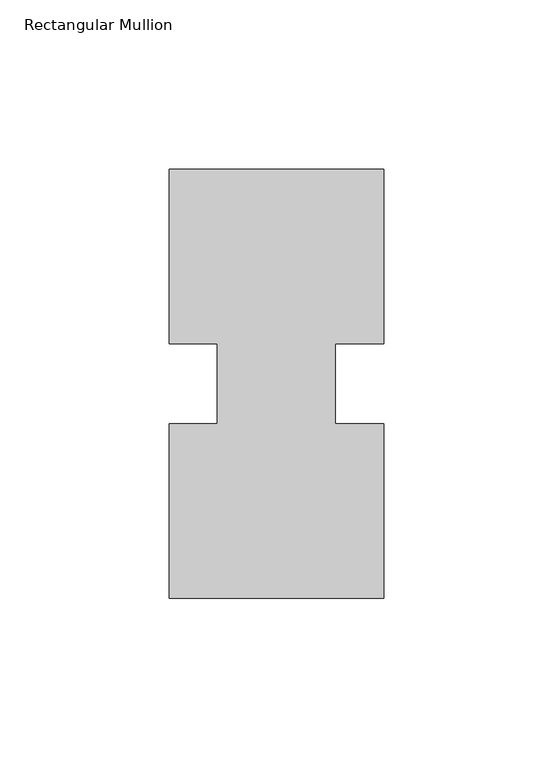
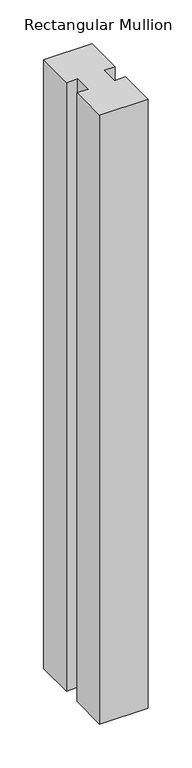
"""IFC4 building model written with IfcOpenShell, lengths in millimetres: member geometry, Rectangular Mullion."""

import ifcopenshell
import ifcopenshell.guid

model = None  # the IFC model being written
_history = None  # IfcOwnerHistory: only IFC2X3 demands one
_inside = {}  # id of a spatial element -> (the spatial element, [elements in it])
_under = {}  # id of a project, library or spatial element -> (it, [spatial elements below it])
_declared = {}  # id of a project -> (the project, [libraries it declares])
_typed = {}  # id of a type object -> (the type object, [elements of that type])
_made_of = {}  # id of a material, layer set ... -> (it, [elements and type objects made of it])


def new_model(schema):
    """Start an empty IFC model of exactly this schema.

    Asked for "IFC4X3", IfcOpenShell would pick the latest addendum, in which some entities
    have other attributes; the version numbers below select the first issue.
    IFC2X3 requires an IfcOwnerHistory on every rooted entity: one is made here for all.
    """
    global model, _history
    if schema == "IFC4X3":
        model = ifcopenshell.file(schema_version=(4, 3, 0, 0))
    else:
        model = ifcopenshell.file(schema=schema)
    _inside.clear()
    _under.clear()
    _declared.clear()
    _typed.clear()
    _made_of.clear()
    _history = None
    if model.schema == "IFC2X3":
        org = make("IfcOrganization", Name="unknown")
        user = make(
            "IfcPersonAndOrganization",
            ThePerson=make("IfcPerson", FamilyName="unknown"),
            TheOrganization=org,
        )
        app = make(
            "IfcApplication",
            ApplicationDeveloper=org,
            Version="unknown",
            ApplicationFullName="unknown",
            ApplicationIdentifier="unknown",
        )
        _history = make(
            "IfcOwnerHistory",
            OwningUser=user,
            OwningApplication=app,
            ChangeAction="ADDED",
            CreationDate=0,
        )
    return model


def make(cls, **values):
    """One entity of the class cls with the attributes given. An attribute that is None is left unset."""
    return model.create_entity(
        cls, **{name: value for name, value in values.items() if value is not None}
    )


def rooted(cls, **values):
    """An entity with a GlobalId (a new one), such as an element, a storey or a relation."""
    return make(cls, GlobalId=ifcopenshell.guid.new(), OwnerHistory=_history, **values)


def si_unit(unit_type, name, prefix=None):
    """IfcSIUnit, for example si_unit("LENGTHUNIT", "METRE", prefix="MILLI")."""
    return make("IfcSIUnit", UnitType=unit_type, Prefix=prefix, Name=name)


def assignment(units):
    """IfcUnitAssignment: the units of a project."""
    return None if units is None else make("IfcUnitAssignment", Units=units)


def point(xyz):
    """IfcCartesianPoint."""
    return None if xyz is None else make("IfcCartesianPoint", Coordinates=xyz)


def direction(xyz):
    """IfcDirection."""
    return None if xyz is None else make("IfcDirection", DirectionRatios=xyz)


def frame(location, z_axis=None, x_axis=None):
    """IfcAxis2Placement3D, a coordinate frame: its origin and axes. An axis left out is left unset."""
    return make(
        "IfcAxis2Placement3D",
        Location=point(location),
        Axis=direction(z_axis),
        RefDirection=direction(x_axis),
    )


def origin():
    """The frame at (0, 0, 0) with its axes left unset."""
    return frame((0.0, 0.0, 0.0))


def place(relative_to, where):
    """IfcLocalPlacement: puts the frame where relative to a parent placement (None: the world)."""
    return make(
        "IfcLocalPlacement", PlacementRelTo=relative_to, RelativePlacement=where
    )


def context(
    kind, dimensions, precision=None, world=None, true_north=None, identifier=None
):
    """IfcGeometricRepresentationContext, for example the 3D "Model" context."""
    return make(
        "IfcGeometricRepresentationContext",
        ContextIdentifier=identifier,
        ContextType=kind,
        CoordinateSpaceDimension=dimensions,
        Precision=precision,
        WorldCoordinateSystem=world,
        TrueNorth=true_north,
    )


def project(units=None, contexts=None):
    """IfcProject with its units and contexts."""
    return rooted(
        "IfcProject",
        Name="project",
        RepresentationContexts=contexts,
        UnitsInContext=assignment(units),
    )


def spatial(cls, under=None, at=None, **own):
    """A site, building, storey or space (cls), placed at a placement, below another one or the project."""
    s = rooted(cls, ObjectPlacement=at, **own)
    if under is not None:
        _under.setdefault(under.id(), (under, []))[1].append(s)
    return s


def polyline(points):
    """IfcPolyline through the points."""
    return make("IfcPolyline", Points=[point(p) for p in points])


def outline(outer, holes=None, kind="AREA"):
    """IfcArbitraryClosedProfileDef: a profile drawn as a closed curve; with holes, ...WithVoids."""
    if holes is None:
        return make("IfcArbitraryClosedProfileDef", ProfileType=kind, OuterCurve=outer)
    return make(
        "IfcArbitraryProfileDefWithVoids",
        ProfileType=kind,
        OuterCurve=outer,
        InnerCurves=holes,
    )


def extrude(swept, where, along, depth):
    """IfcExtrudedAreaSolid: the profile swept, set in the frame where, extruded along a direction by depth."""
    return make(
        "IfcExtrudedAreaSolid",
        SweptArea=swept,
        Position=where,
        ExtrudedDirection=direction(along),
        Depth=depth,
    )


def shape(context_of_items, identifier, shape_type, items):
    """IfcShapeRepresentation: the items that make up one representation, for example the "Body"."""
    return make(
        "IfcShapeRepresentation",
        ContextOfItems=context_of_items,
        RepresentationIdentifier=identifier,
        RepresentationType=shape_type,
        Items=items,
    )


def source(mapping_origin, context_of_items, identifier, shape_type, items):
    """IfcRepresentationMap: a shape defined once, which mapped items show again and again."""
    return make(
        "IfcRepresentationMap",
        MappingOrigin=mapping_origin,
        MappedRepresentation=shape(context_of_items, identifier, shape_type, items),
    )


def transform(
    local_origin,
    x_axis=None,
    y_axis=None,
    z_axis=None,
    scale=None,
    scale2=None,
    scale3=None,
    uniform=True,
):
    """IfcCartesianTransformationOperator3D, or its non-uniform kind. x_axis, y_axis, z_axis: its Axis1, 2, 3."""
    if uniform:
        return make(
            "IfcCartesianTransformationOperator3D",
            Axis1=direction(x_axis),
            Axis2=direction(y_axis),
            LocalOrigin=point(local_origin),
            Scale=scale,
            Axis3=direction(z_axis),
        )
    return make(
        "IfcCartesianTransformationOperator3DnonUniform",
        Axis1=direction(x_axis),
        Axis2=direction(y_axis),
        LocalOrigin=point(local_origin),
        Scale=scale,
        Axis3=direction(z_axis),
        Scale2=scale2,
        Scale3=scale3,
    )


def mapped(mapping_source, mapping_target):
    """IfcMappedItem: shows the shape of a source again, moved by a transform."""
    return make(
        "IfcMappedItem", MappingSource=mapping_source, MappingTarget=mapping_target
    )


def made_of(thing, what):
    """Note that an element or type object is made of a material, layer set ...; save() writes the relation."""
    if what is not None:
        _made_of.setdefault(what.id(), (what, []))[1].append(thing)
    return thing


def element(
    cls,
    number,
    at=None,
    inside=None,
    cuts=None,
    type_object=None,
    material=None,
    context=None,
    identifier="Body",
    shape_type=None,
    held_by="IfcProductDefinitionShape",
    body=None,
    shapes=None,
    **own,
):
    """One element of the class cls, such as IfcWall. Its Tag is "e" and its number.

    at: its placement. inside: the storey or other place that contains it. cuts: it is an
    opening in that element (IfcRelVoidsElement). A single representation is given by context,
    identifier, shape_type and body (its items); several are given by shapes. held_by: the class
    of the entity that holds the representations. save() writes the other relations.
    """
    e = rooted(cls, Tag="e%d" % number, ObjectPlacement=at, **own)
    if body is not None:
        shapes = [shape(context, identifier, shape_type, body)]
    if shapes is not None:
        e.Representation = make(held_by, Representations=shapes)
    if inside is not None:
        _inside.setdefault(inside.id(), (inside, []))[1].append(e)
    if cuts is not None:
        rooted(
            "IfcRelVoidsElement", RelatingBuildingElement=cuts, RelatedOpeningElement=e
        )
    if type_object is not None:
        _typed.setdefault(type_object.id(), (type_object, []))[1].append(e)
    return made_of(e, material)


def aggregate(whole, parts):
    """IfcRelAggregates: a whole, such as a stair, and the parts it consists of."""
    return rooted("IfcRelAggregates", RelatingObject=whole, RelatedObjects=parts)


def save(model, path):
    """Write the relations noted so far, then the file.

    IfcRelAggregates (storeys below a building ...), IfcRelContainedInSpatialStructure (elements
    in a storey), IfcRelDefinesByType, IfcRelAssociatesMaterial and IfcRelDeclares: one each for
    every whole, place, type object, material and project.
    """
    for whole, parts in _under.values():
        aggregate(whole, parts)
    for where, things in _inside.values():
        rooted(
            "IfcRelContainedInSpatialStructure",
            RelatedElements=things,
            RelatingStructure=where,
        )
    for kind, things in _typed.values():
        rooted("IfcRelDefinesByType", RelatedObjects=things, RelatingType=kind)
    for what, things in _made_of.values():
        rooted("IfcRelAssociatesMaterial", RelatedObjects=things, RelatingMaterial=what)
    for by, libraries in _declared.values():
        rooted("IfcRelDeclares", RelatingContext=by, RelatedDefinitions=libraries)
    model.write(path)


def rectangular_mullion_ad3d7159(model_context):
    return source(origin(), model_context, "Body", "SweptSolid", [
        extrude(outline(polyline([(31.75, 75.40625), (17.4625, 75.40625), (17.4625, 51.60645), (31.75, 51.60645), (31.75, 0.00635), (-31.75, 0.00635), (-31.75, 51.60645), (-17.4625, 51.60645), (-17.4625, 75.40625), (-31.75, 75.40625), (-31.75, 127.00635), (31.75, 127.00635), (31.75, 75.40625)])), frame((0.0, 0.0, -844.55), z_axis=(0.0, 0.0, 1.0), x_axis=(1.0, 0.0, 0.0)), (0.0, 0.0, 1.0), 844.55),
    ])


if __name__ == "__main__":
    model = new_model("IFC4")
    model_context = context("Model", 3, world=origin())
    ifc_project = project(units=[si_unit("LENGTHUNIT", "METRE", prefix="MILLI")], contexts=[model_context])
    site = spatial("IfcSite", under=ifc_project)
    building = spatial("IfcBuilding", under=site)
    placement = place(None, origin())
    rectangular_mullion_shape = rectangular_mullion_ad3d7159(model_context)
    element("IfcMember", 1, ObjectType="Rectangular Mullion", at=placement, inside=building, context=model_context, shape_type="MappedRepresentation", body=[
        mapped(rectangular_mullion_shape, transform((0.0, 0.0, 0.0), x_axis=(1.0, 0.0, 0.0), y_axis=(0.0, 1.0, 0.0), z_axis=(0.0, 0.0, 1.0))),
    ])
    save(model, "model.ifc")
